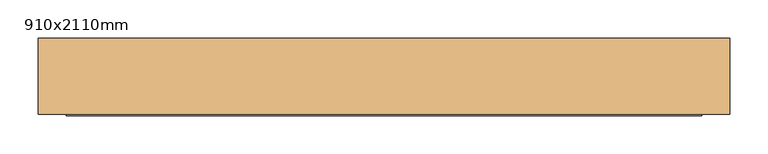
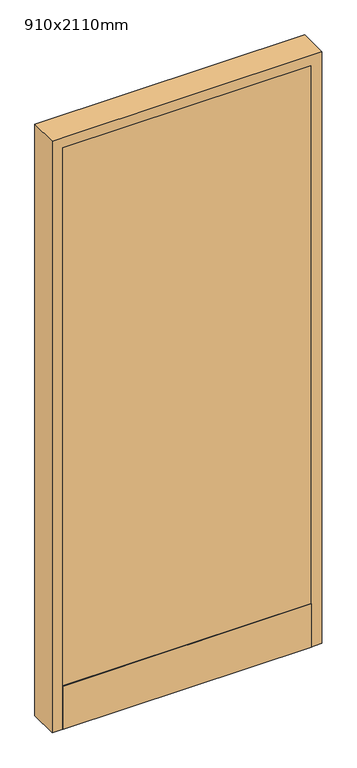
"""IFC4 building model written with IfcOpenShell, lengths in millimetres: door geometry, 910x2110mm."""

from ifc_helpers import new_model, si_unit, origin, origin_with_axes, place, context, project, spatial, polyline, outline, extrude, faceted_brep, source, transform, mapped, element, save


def door_910x2110mm_7c550fcc(model_context):
    return source(origin(), model_context, "Body", "SolidModel", [
        extrude(outline(polyline([(-418.0, 72.0), (418.0, 72.0), (418.0, 70.0), (-418.0, 70.0), (-418.0, 72.0)])), origin_with_axes(), (0.0, 0.0, 1.0), 155.0),
        extrude(outline(polyline([(418.0, 28.0), (-418.0, 28.0), (-418.0, 30.0), (418.0, 30.0), (418.0, 28.0)])), origin_with_axes(), (0.0, 0.0, 1.0), 155.0),
        extrude(outline(polyline([(-418.0, 30.0), (-418.0, 70.0), (418.0, 70.0), (418.0, 30.0), (-418.0, 30.0)])), origin_with_axes(), (0.0, 0.0, 1.0), 2073.0),
        faceted_brep([(455.0, 30.0, 0.0), (418.0, 30.0, 0.0), (418.0, 70.0, 0.0), (405.0, 70.0, 0.0), (405.0, 130.0, 0.0), (455.0, 130.0, 0.0), (455.0, 30.0, 2110.0), (-455.0, 30.0, 2110.0), (-455.0, 30.0, 0.0), (-418.0, 30.0, 0.0), (-418.0, 30.0, 2073.0), (418.0, 30.0, 2073.0), (418.0, 70.0, 2073.0), (-418.0, 70.0, 2073.0), (-418.0, 70.0, 0.0), (-405.0, 70.0, 0.0), (-405.0, 70.0, 2060.0), (405.0, 70.0, 2060.0), (405.0, 130.0, 2060.0), (-405.0, 130.0, 2060.0), (-405.0, 130.0, 0.0), (-455.0, 130.0, 0.0), (-455.0, 130.0, 2110.0), (455.0, 130.0, 2110.0)], [[[0, 1, 2, 3, 4, 5]], [[1, 0, 6, 7, 8, 9, 10, 11]], [[2, 1, 11, 12]], [[3, 2, 12, 13, 14, 15, 16, 17]], [[4, 3, 17, 18]], [[5, 4, 18, 19, 20, 21, 22, 23]], [[0, 5, 23, 6]], [[7, 22, 21, 8]], [[8, 21, 20, 15, 14, 9]], [[13, 10, 9, 14]], [[19, 16, 15, 20]], [[12, 11, 10, 13]], [[18, 17, 16, 19]], [[6, 23, 22, 7]]]),
    ])


if __name__ == "__main__":
    model = new_model("IFC4")
    model_context = context("Model", 3, world=origin())
    ifc_project = project(units=[si_unit("LENGTHUNIT", "METRE", prefix="MILLI")], contexts=[model_context])
    site = spatial("IfcSite", under=ifc_project)
    building = spatial("IfcBuilding", under=site)
    placement = place(None, origin())
    door_910x2110mm_shape = door_910x2110mm_7c550fcc(model_context)
    element("IfcDoor", 1, ObjectType="910x2110mm", at=placement, inside=building, context=model_context, shape_type="MappedRepresentation", body=[
        mapped(door_910x2110mm_shape, transform((0.0, 0.0, 0.0), x_axis=(1.0, 0.0, 0.0), y_axis=(0.0, 1.0, 0.0), z_axis=(0.0, 0.0, 1.0))),
    ])
    save(model, "model.ifc")
